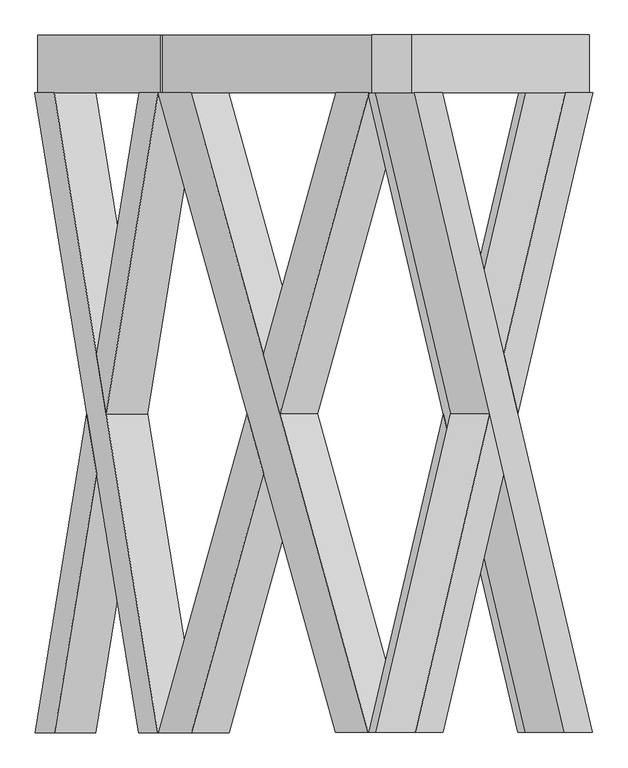
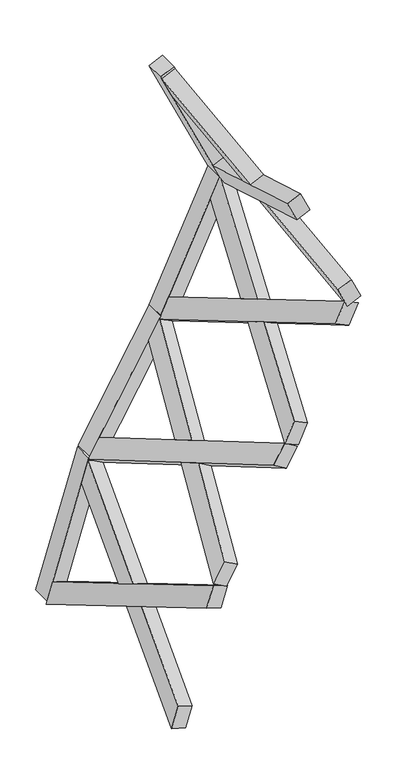
"""IFC4 building model written with IfcOpenShell, lengths in millimetres: proxy geometry."""

from ifc_helpers import new_model, si_unit, frame, origin, place, context, project, spatial, polyline, outline, extrude, faceted_brep, source, transform, mapped, element, save


def generic_models_66f3dca5(model_context):
    return source(origin(), model_context, "Body", "SolidModel", [
        faceted_brep([(1236.7106762, -100.0, 5313.2513287), (1756.6963009, -2319.6837757, 4198.1385581), (1853.3367626, -2319.6837757, 3990.8924191), (1333.3511379, -100.0, 5106.0051897), (1717.3905945, -2319.6837757, 3927.4996799), (1620.7501328, -2319.6837757, 4134.7458189), (1410.0794838, -1420.3854116, 4586.5304836), (1458.3997147, -1214.1188776, 4482.9074141), (1100.7645081, -100.0, 5249.8585895), (1197.4049699, -100.0, 5042.6124505), (1410.0794838, -1007.8523437, 4586.5304836), (1361.7592529, -1214.1188776, 4690.1535531), (1526.3727987, -1214.1188776, 4514.6037837), (1478.0525678, -1007.8523437, 4618.2268532), (1429.7323369, -1214.1188776, 4721.8499227), (1478.0525678, -1420.3854116, 4618.2268532)], [[[0, 1, 2, 3]], [[4, 5, 6, 7]], [[8, 9, 10, 11]], [[0, 3, 9, 8]], [[3, 2, 4, 7, 12, 13, 10, 9]], [[2, 1, 5, 4]], [[1, 0, 8, 11, 14, 15, 6, 5]], [[12, 15, 14, 13]], [[13, 14, 11, 10]], [[15, 12, 7, 6]]]),
        faceted_brep([(1855.3406275, -100.0, 3986.595117), (1758.7001657, -100.0, 4193.841256), (1546.0256518, -1007.8523437, 4649.9232229), (1594.3458827, -1214.1188776, 4546.3001534), (1238.7145411, -2319.6837757, 5308.9540266), (1335.3550028, -2319.6837757, 5101.7078876), (1546.0256518, -1420.3854116, 4649.9232229), (1497.705421, -1214.1188776, 4753.5462924), (1719.3944594, -100.0, 3923.2023777), (1199.4088348, -2319.6837757, 5038.3151483), (1102.768373, -2319.6837757, 5245.5612873), (1622.7539977, -100.0, 4130.4485167), (1429.7323369, -1214.1188776, 4721.8499227), (1478.0525678, -1007.8523437, 4618.2268532), (1526.3727987, -1214.1188776, 4514.6037837), (1478.0525678, -1420.3854116, 4618.2268532)], [[[0, 1, 2, 3]], [[4, 5, 6, 7]], [[8, 9, 10, 11]], [[1, 0, 8, 11]], [[11, 10, 4, 7, 12, 13, 2, 1]], [[5, 4, 10, 9]], [[9, 8, 0, 3, 14, 15, 6, 5]], [[12, 15, 14, 13]], [[13, 14, 3, 2]], [[15, 12, 7, 6]]]),
        extrude(outline(polyline([(-148.3871943, 0.0), (-148.3871943, -150.0), (-348.3871943, -150.0), (-348.3871943, 0.0), (-148.3871943, 0.0)])), frame((1841.8584351, -248.3871943, 4015.5077719), z_axis=(-0.4226182617406946, 0.0, 0.9063077870366523), x_axis=(0.0, -1.0, 0.0)), (0.0, 0.0, 1.0), 1460.0),
        faceted_brep([(1829.9835318, -100.0, 3926.6492204), (1309.9979071, -2319.6837757, 2811.5364498), (1213.3574454, -2319.6837757, 2604.2903108), (1733.34307, -100.0, 3719.4030814), (1077.4112773, -2319.6837757, 2667.68305), (1174.0517391, -2319.6837757, 2874.929189), (1384.7223881, -1420.3854116, 3326.7138538), (1336.4021572, -1214.1188776, 3223.0907843), (1694.0373637, -100.0, 3990.0419597), (1597.396902, -100.0, 3782.7958207), (1384.7223881, -1007.8523437, 3326.7138538), (1433.042619, -1214.1188776, 3430.3369233), (1404.3752412, -1214.1188776, 3191.3944147), (1452.6954721, -1007.8523437, 3295.0174842), (1501.015703, -1214.1188776, 3398.6405537), (1452.6954721, -1420.3854116, 3295.0174842)], [[[0, 1, 2, 3]], [[4, 5, 6, 7]], [[8, 9, 10, 11]], [[0, 3, 9, 8]], [[3, 2, 4, 7, 12, 13, 10, 9]], [[2, 1, 5, 4]], [[1, 0, 8, 11, 14, 15, 6, 5]], [[12, 15, 14, 13]], [[13, 14, 11, 10]], [[15, 12, 7, 6]]]),
        faceted_brep([(1211.3535805, -100.0, 2599.9930086), (1307.9940422, -100.0, 2807.2391477), (1520.6685561, -1007.8523437, 3263.3211145), (1472.3483253, -1214.1188776, 3159.698045), (1827.9796669, -2319.6837757, 3922.3519183), (1731.3392051, -2319.6837757, 3715.1057793), (1520.6685561, -1420.3854116, 3263.3211145), (1568.988787, -1214.1188776, 3366.944184), (1075.4074124, -100.0, 2663.3857479), (1595.3930371, -2319.6837757, 3778.4985185), (1692.0334988, -2319.6837757, 3985.7446575), (1172.0478742, -100.0, 2870.6318869), (1501.015703, -1214.1188776, 3398.6405537), (1452.6954721, -1007.8523437, 3295.0174842), (1404.3752412, -1214.1188776, 3191.3944147), (1452.6954721, -1420.3854116, 3295.0174842)], [[[0, 1, 2, 3]], [[4, 5, 6, 7]], [[8, 9, 10, 11]], [[1, 0, 8, 11]], [[11, 10, 4, 7, 12, 13, 2, 1]], [[5, 4, 10, 9]], [[9, 8, 0, 3, 14, 15, 6, 5]], [[12, 15, 14, 13]], [[13, 14, 3, 2]], [[15, 12, 7, 6]]]),
        extrude(outline(polyline([(-148.3871943, 0.0), (-148.3871943, -150.0), (-348.3871943, -150.0), (-348.3871943, 0.0), (-148.3871943, 0.0)])), frame((1224.8357729, -248.3871943, 2628.9056636), z_axis=(0.42261826174070316, 0.0, 0.9063077870366484), x_axis=(0.0, -1.0, 0.0)), (0.0, 0.0, 1.0), 1460.0),
        faceted_brep([(1207.7653867, -100.0, 2598.7680921), (592.5699826, -2319.6837757, 1533.2183956), (478.2345758, -2319.6837757, 1335.1836619), (1093.4299799, -100.0, 2400.7333584), (348.3307652, -2319.6837757, 1410.1836619), (462.666172, -2319.6837757, 1608.2183956), (711.9107836, -1420.3854116, 2039.9227264), (654.7430802, -1214.1188776, 1940.9053595), (1077.8615761, -100.0, 2673.7680921), (963.5261694, -100.0, 2475.7333584), (711.9107836, -1007.8523437, 2039.9227264), (769.078487, -1214.1188776, 2138.9400932), (719.6949855, -1214.1188776, 1903.4053595), (776.8626889, -1007.8523437, 2002.4227264), (834.0303923, -1214.1188776, 2101.4400932), (776.8626889, -1420.3854116, 2002.4227264)], [[[0, 1, 2, 3]], [[4, 5, 6, 7]], [[8, 9, 10, 11]], [[0, 3, 9, 8]], [[3, 2, 4, 7, 12, 13, 10, 9]], [[2, 1, 5, 4]], [[1, 0, 8, 11, 14, 15, 6, 5]], [[12, 15, 14, 13]], [[13, 14, 11, 10]], [[15, 12, 7, 6]]]),
        faceted_brep([(475.8638017, -100.0, 1331.0773606), (590.1992084, -100.0, 1529.1120943), (841.8145942, -1007.8523437, 1964.9227264), (784.6468908, -1214.1188776, 1865.9053595), (1205.3946126, -2319.6837757, 2594.6617908), (1091.0592058, -2319.6837757, 2396.6270572), (841.8145942, -1420.3854116, 1964.9227264), (898.9822976, -1214.1188776, 2063.9400932), (345.9599911, -100.0, 1406.0773606), (961.1553952, -2319.6837757, 2471.6270572), (1075.490802, -2319.6837757, 2669.6617908), (460.2953979, -100.0, 1604.1120943), (834.0303923, -1214.1188776, 2101.4400932), (776.8626889, -1007.8523437, 2002.4227264), (719.6949855, -1214.1188776, 1903.4053595), (776.8626889, -1420.3854116, 2002.4227264)], [[[0, 1, 2, 3]], [[4, 5, 6, 7]], [[8, 9, 10, 11]], [[1, 0, 8, 11]], [[11, 10, 4, 7, 12, 13, 2, 1]], [[5, 4, 10, 9]], [[9, 8, 0, 3, 14, 15, 6, 5]], [[12, 15, 14, 13]], [[13, 14, 3, 2]], [[15, 12, 7, 6]]]),
        extrude(outline(polyline([(-148.3871943, 0.0), (-148.3871943, -150.0), (-348.3871943, -150.0), (-348.3871943, 0.0), (-148.3871943, 0.0)])), frame((491.8145942, -248.3871943, 1358.7049437), z_axis=(0.500000000000001, 0.0, 0.8660254037844382), x_axis=(0.0, -1.0, 0.0)), (0.0, 0.0, 1.0), 1460.0),
        faceted_brep([(490.3703641, -100.0, 1347.406418), (130.638906, -2319.6837757, 170.7778364), (63.7820304, -2319.6837757, -47.9011502), (423.5134885, -100.0, 1128.7274314), (-79.6636829, -2319.6837757, -4.0453945), (-12.8068074, -2319.6837757, 214.6335921), (132.9373366, -1420.3854116, 691.341207), (99.5088988, -1214.1188776, 582.0017137), (346.9246507, -100.0, 1391.2621737), (280.0677751, -100.0, 1172.5831871), (132.9373366, -1007.8523437, 691.341207), (166.3657744, -1214.1188776, 800.6807003), (171.2317555, -1214.1188776, 560.0738359), (204.6601933, -1007.8523437, 669.4133292), (238.0886311, -1214.1188776, 778.7528225), (204.6601933, -1420.3854116, 669.4133292)], [[[0, 1, 2, 3]], [[4, 5, 6, 7]], [[8, 9, 10, 11]], [[0, 3, 9, 8]], [[3, 2, 4, 7, 12, 13, 10, 9]], [[2, 1, 5, 4]], [[1, 0, 8, 11, 14, 15, 6, 5]], [[12, 15, 14, 13]], [[13, 14, 11, 10]], [[15, 12, 7, 6]]]),
        faceted_brep([(62.3957359, -100.0, -52.4355154), (129.2526115, -100.0, 166.2434712), (276.38305, -1007.8523437, 647.4854513), (242.9546122, -1214.1188776, 538.145958), (488.9840696, -2319.6837757, 1342.8720528), (422.127194, -2319.6837757, 1124.1930663), (276.38305, -1420.3854116, 647.4854513), (309.8114878, -1214.1188776, 756.8249446), (-81.0499775, -100.0, -8.5797597), (278.6814806, -2319.6837757, 1168.048822), (345.5383562, -2319.6837757, 1386.7278085), (-14.1931019, -100.0, 210.0992269), (238.0886311, -1214.1188776, 778.7528225), (204.6601933, -1007.8523437, 669.4133292), (171.2317555, -1214.1188776, 560.0738359), (204.6601933, -1420.3854116, 669.4133292)], [[[0, 1, 2, 3]], [[4, 5, 6, 7]], [[8, 9, 10, 11]], [[1, 0, 8, 11]], [[11, 10, 4, 7, 12, 13, 2, 1]], [[5, 4, 10, 9]], [[9, 8, 0, 3, 14, 15, 6, 5]], [[12, 15, 14, 13]], [[13, 14, 3, 2]], [[15, 12, 7, 6]]]),
        extrude(outline(polyline([(-148.3871943, 0.0), (-148.3871943, -150.0), (-348.3871943, -150.0), (-348.3871943, 0.0), (-148.3871943, 0.0)])), frame((71.7228567, -248.3871943, -21.9278779), z_axis=(0.29237170472273805, 0.0, 0.9563047559630351), x_axis=(0.0, -1.0, 0.0)), (0.0, 0.0, 1.0), 1460.0),
    ])


if __name__ == "__main__":
    model = new_model("IFC4")
    model_context = context("Model", 3, world=origin())
    ifc_project = project(units=[si_unit("LENGTHUNIT", "METRE", prefix="MILLI")], contexts=[model_context])
    site = spatial("IfcSite", under=ifc_project)
    building = spatial("IfcBuilding", under=site)
    placement = place(None, origin())
    generic_models_shape = generic_models_66f3dca5(model_context)
    element("IfcBuildingElementProxy", 1, Name="Generic Models", at=placement, inside=building, context=model_context, shape_type="MappedRepresentation", body=[
        mapped(generic_models_shape, transform((0.0, 0.0, 0.0), x_axis=(1.0, 0.0, 0.0), y_axis=(0.0, 1.0, 0.0), z_axis=(0.0, 0.0, 1.0))),
    ])
    save(model, "model.ifc")
